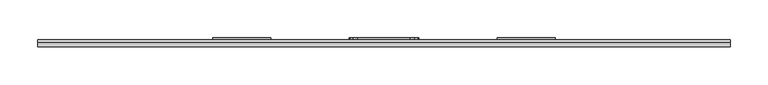
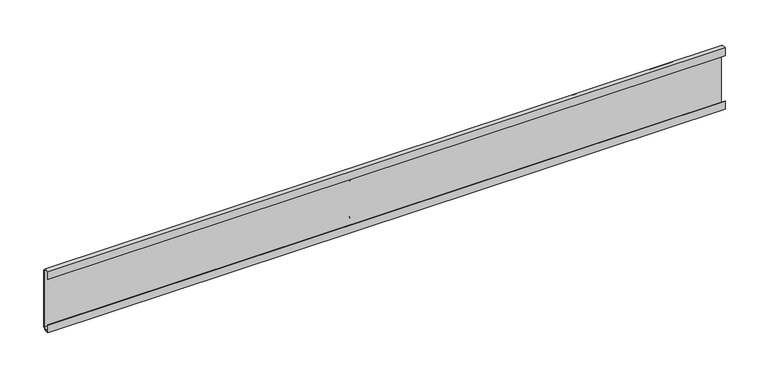
"""IFC4 building model written with IfcOpenShell, lengths in millimetres: furniture geometry."""

from ifc_helpers import new_model, si_unit, frame, origin, place, context, project, spatial, polyline, outline, extrude, source, transform, mapped, element, save


def furniture_72bfd085(model_context):
    return source(origin(), model_context, "Body", "SweptSolid", [
        extrude(outline(polyline([(79.1082979, -45.7707891), (36.5379017, -45.7707891), (30.9753029, -44.2802914), (26.903195, -40.2081925), (25.4127019, -34.645596), (25.4127019, 34.645596), (26.903195, 40.2081925), (30.9753029, 44.2802914), (36.5379017, 45.7707891), (79.1082979, 45.7707891), (84.6709035, 44.2802914), (88.7430114, 40.2081925), (90.2335, 34.645596), (90.2335, -34.645596), (88.7430114, -40.2081925), (84.6709035, -44.2802914), (79.1082979, -45.7707891)])), frame((0.0, 39.0921875, 0.0), z_axis=(0.0, 1.0, 0.0), x_axis=(0.0, 0.0, 1.0)), (0.0, 0.0, 1.0), 2.309816),
        extrude(outline(polyline([(-149.5298, 39.0921875), (-225.7298, 39.0921875), (-225.7298, 41.4020035), (-149.5298, 41.4020035), (-149.5298, 39.0921875)])), frame((0.0, 0.0, 35.433), z_axis=(0.0, 0.0, 1.0), x_axis=(1.0, 0.0, 0.0)), (0.0, 0.0, 1.0), 48.26),
        extrude(outline(polyline([(225.7298, 39.0921875), (149.5298, 39.0921875), (149.5298, 41.4020035), (225.7298, 41.4020035), (225.7298, 39.0921875)])), frame((0.0, 0.0, 35.433), z_axis=(0.0, 0.0, 1.0), x_axis=(1.0, 0.0, 0.0)), (0.0, 0.0, 1.0), 48.26),
        extrude(outline(polyline([(29.5671875, 104.2233438), (35.9171874, 104.2233438), (39.0921875, 101.0285018), (39.0921875, 20.3835004), (35.917184, 17.2085), (29.5671875, 17.2085), (29.5671875, 28.0035022), (30.3609375, 28.0035022), (30.3609375, 18.0022534), (35.9171874, 18.0022534), (38.2984375, 20.3835035), (38.2984375, 101.0284987), (35.9171874, 103.4295938), (30.3609375, 103.4295938), (30.3609375, 93.4085), (29.5671875, 93.4085), (29.5671875, 104.2233438)])), frame((-456.009375, 0.0, 0.0), z_axis=(1.0, 0.0, 0.0), x_axis=(0.0, 1.0, 0.0)), (0.0, 0.0, 1.0), 912.01875),
    ])


if __name__ == "__main__":
    model = new_model("IFC4")
    model_context = context("Model", 3, world=origin())
    ifc_project = project(units=[si_unit("LENGTHUNIT", "METRE", prefix="MILLI")], contexts=[model_context])
    site = spatial("IfcSite", under=ifc_project)
    building = spatial("IfcBuilding", under=site)
    placement = place(None, origin())
    furniture_shape = furniture_72bfd085(model_context)
    element("IfcFurniture", 1, at=placement, inside=building, context=model_context, shape_type="MappedRepresentation", body=[
        mapped(furniture_shape, transform((0.0, 0.0, 0.0), x_axis=(1.0, 0.0, 0.0), y_axis=(0.0, 1.0, 0.0), z_axis=(0.0, 0.0, 1.0))),
    ])
    save(model, "model.ifc")
